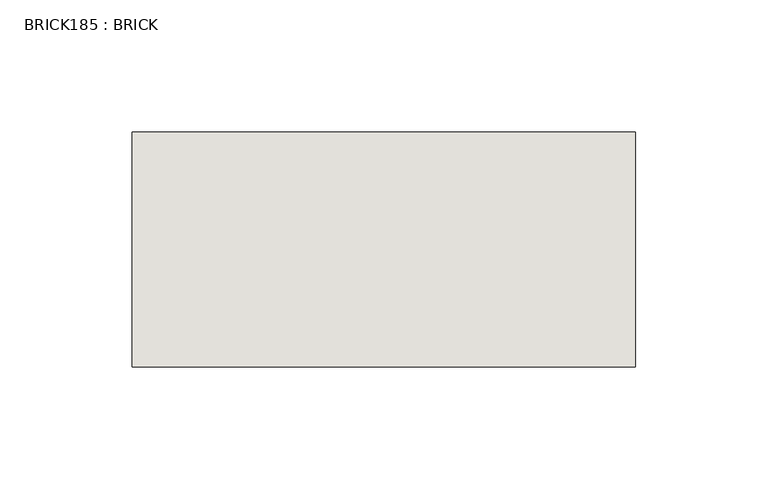
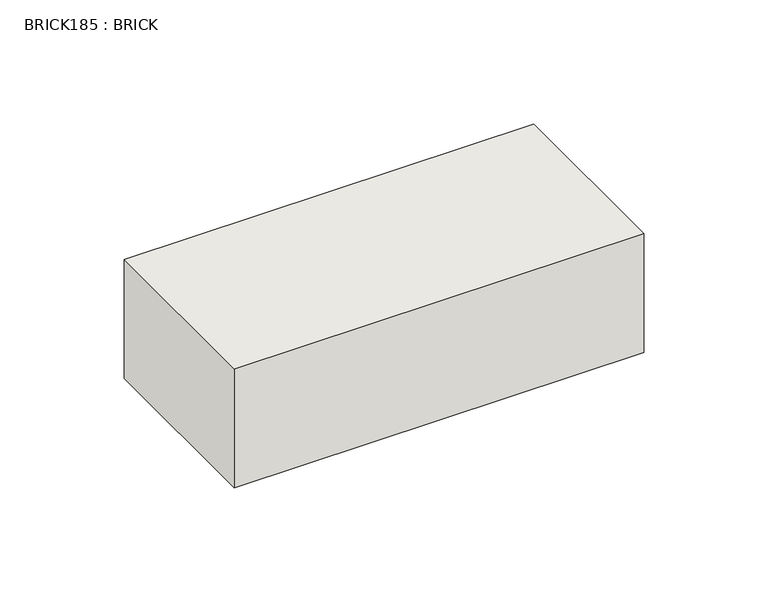
"""IFC4 building model written with IfcOpenShell, lengths in millimetres: wall geometry, BRICK185 : BRICK."""

from ifc_helpers import new_model, si_unit, frame, origin, place, context, project, spatial, polyline, outline, extrude, source, transform, mapped, element, save


def brick185_brick_54f95da2(model_context):
    return source(origin(), model_context, "Body", "SweptSolid", [
        extrude(outline(polyline([(-362.3316239, 3062.3923312), (-171.8316239, 3062.3923312), (-171.8316239, 2973.4923312), (-362.3316239, 2973.4923312), (-362.3316239, 3062.3923312)])), frame((0.0, 0.0, 493.4148438), z_axis=(0.0, 0.0, 1.0), x_axis=(1.0, 0.0, 0.0)), (0.0, 0.0, 1.0), 58.4398438),
    ])


if __name__ == "__main__":
    model = new_model("IFC4")
    model_context = context("Model", 3, world=origin())
    ifc_project = project(units=[si_unit("LENGTHUNIT", "METRE", prefix="MILLI")], contexts=[model_context])
    site = spatial("IfcSite", under=ifc_project)
    building = spatial("IfcBuilding", under=site)
    placement = place(None, origin())
    brick185_brick_shape = brick185_brick_54f95da2(model_context)
    element("IfcWall", 1, ObjectType="BRICK185 : BRICK", at=placement, inside=building, context=model_context, shape_type="MappedRepresentation", body=[
        mapped(brick185_brick_shape, transform((0.0, 0.0, 0.0), x_axis=(1.0, 0.0, 0.0), y_axis=(0.0, 1.0, 0.0), z_axis=(0.0, 0.0, 1.0))),
    ])
    save(model, "model.ifc")
